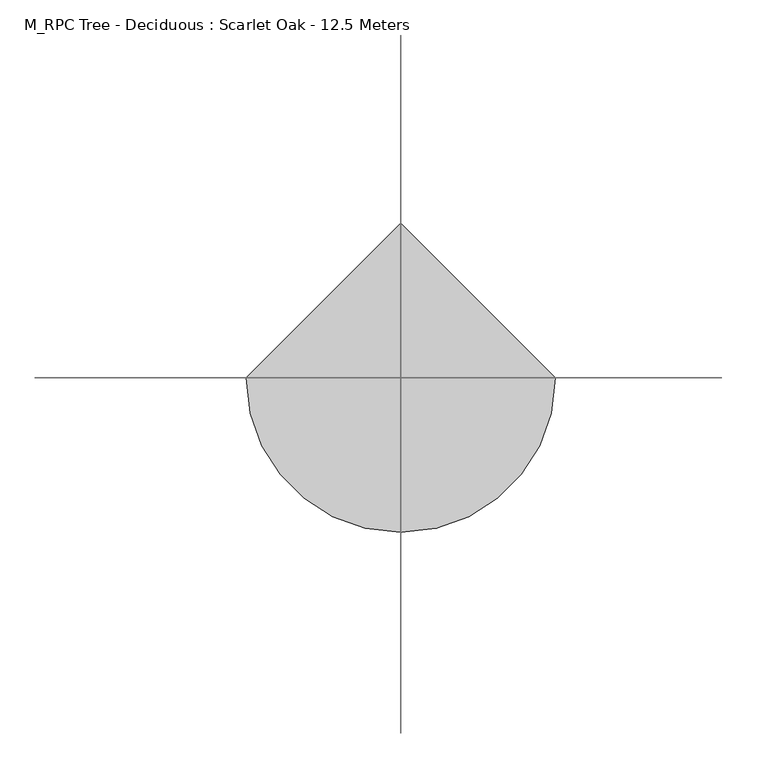
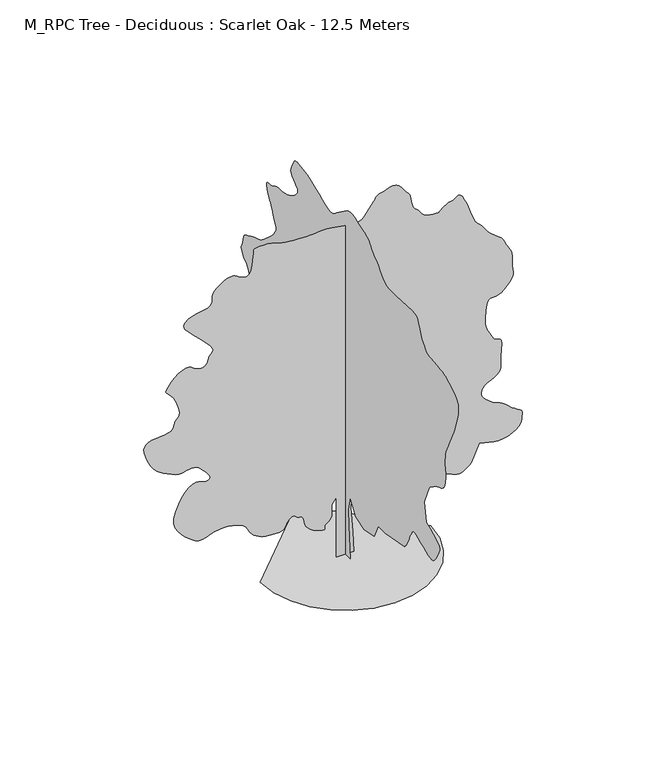
"""IFC4 building model written with IfcOpenShell, lengths in millimetres: geographic element geometry, M_RPC Tree - Deciduous : Scarlet Oak - 12.5 Meters."""

from ifc_helpers import new_model, si_unit, origin, place, context, project, spatial, triangles, source, transform, mapped, element, save


def m_rpc_tree_deciduous_scarlet_oak_12_5_meters_78a4568a(model_context):
    return source(origin(), model_context, "Body", "Tessellation", [
        triangles([(0.0172504, 306.0074844, 0.0), (0.0172504, -293.5650026, 0.0), (0.0172504, -196.8600042, 1141.1200275), (0.0172504, -177.5185068, 1682.6674953), (0.0172504, -293.5650026, 2185.5350567), (0.0172504, -603.0224945, 1682.6674953), (0.0172504, -1105.8875124, 1527.9400211), (0.0172504, -1686.1174301, 1663.3275421), (0.0172504, -1918.2099495, 2146.8525341), (0.0172504, -2324.3725124, 2146.8525341), (0.0172504, -3446.150116, 2359.6049549), (0.0172504, -3487.4249222, 2409.394939), (0.0172504, -3527.7000801, 2459.5225479), (0.0172504, -3565.9250725, 2510.3249702), (0.0172504, -3601.0999603, 2562.1500046), (0.0172504, -3632.2250954, 2615.3249565), (0.0172504, -3658.2749588, 2670.2000954), (0.0172504, -3678.2499023, 2727.0751122), (0.0172504, -3697.649881, 2785.6750237), (0.0172504, -3722.1251312, 2845.2748741), (0.0172504, -3750.8251236, 2905.7249634), (0.0172504, -3782.89991, 2966.8500114), (0.0172504, -3817.5251221, 3028.475029), (0.0172504, -3853.8249413, 3090.4500252), (0.0172504, -3890.9999977, 3152.5750122), (0.0172504, -3908.7000801, 3172.6499496), (0.0172504, -3933.1750397, 3188.8501236), (0.0172504, -3971.1750458, 3197.2499016), (0.0172504, -4029.4749756, 3193.9751015), (0.0172504, -4114.8499969, 3175.1500877), (0.0172504, -4234.0499886, 3136.8500999), (0.0172504, -4393.8501183, 3075.2250824), (0.0172504, -4562.5749939, 3002.6998581), (0.0172504, -4706.2499451, 2937.9750298), (0.0172504, -4828.2750549, 2886.4249786), (0.0172504, -4932.0251175, 2853.4999535), (0.0172504, -5020.8999252, 2844.5999153), (0.0172504, -5098.249855, 2865.125116), (0.0172504, -5167.5002792, 2920.4999336), (0.0172504, -5237.3750839, 3007.7251328), (0.0172504, -5309.5997452, 3113.9000473), (0.0172504, -5377.1002762, 3229.5499649), (0.0172504, -5432.7497864, 3345.1998825), (0.0172504, -5469.4498718, 3451.3750877), (0.0172504, -5480.1248016, 3538.6249947), (0.0172504, -5457.6250122, 3597.424894), (0.0172504, -5402.6498795, 3641.7000984), (0.0172504, -5323.3000717, 3691.0249947), (0.0172504, -5223.6747574, 3744.5999222), (0.0172504, -5107.774855, 3801.5499344), (0.0172504, -4979.7251129, 3861.0500816), (0.0172504, -4843.5499947, 3922.2251266), (0.0172504, -4703.3251236, 3984.2501198), (0.0172504, -4587.2749397, 4641.8500969), (0.0172504, -4877.3749649, 5318.7747665), (0.0172504, -4886.5249878, 5331.7001404), (0.0172504, -4900.7252838, 5347.4747589), (0.0172504, -4925.0999588, 5369.0251877), (0.0172504, -4964.6748688, 5399.20009), (0.0172504, -5024.5502838, 5440.8498734), (0.0172504, -5109.8247299, 5496.8999405), (0.0172504, -5225.5252258, 5570.225116), (0.0172504, -5351.0501221, 5636.6501312), (0.0172504, -5462.3497238, 5680.0498077), (0.0172504, -5559.4501923, 5715.3499786), (0.0172504, -5642.3497833, 5757.424736), (0.0172504, -5711.0252426, 5821.1499161), (0.0172504, -5765.4998245, 5921.4001923), (0.0172504, -5805.7502747, 6073.0752365), (0.0172504, -5829.0500153, 6222.0498642), (0.0172504, -5835.7501877, 6317.5748474), (0.0172504, -5830.6249191, 6379.6001312), (0.0172504, -5818.3750854, 6428.1000778), (0.0172504, -5803.7748138, 6483.0252136), (0.0172504, -5791.5499786, 6564.3249023), (0.0172504, -5786.4247101, 6692.0002487), (0.0172504, -5788.2251816, 6832.849791), (0.0172504, -5796.1252808, 6949.6752182), (0.0172504, -5813.8247818, 7056.3751007), (0.0172504, -5845.0502014, 7166.7747574), (0.0172504, -5893.550148, 7294.7750839), (0.0172504, -5963.0249771, 7454.2502335), (0.0172504, -6057.1750443, 7659.049942), (0.0172504, -6146.5748199, 7844.1752701), (0.0172504, -6206.1752518, 7955.8748474), (0.0172504, -6246.4751175, 8024.9502823), (0.0172504, -6277.9999374, 8082.1752777), (0.0172504, -6311.225235, 8158.3502792), (0.0172504, -6356.599791, 8284.2751511), (0.0172504, -6424.6752869, 8490.6997604), (0.0172504, -6498.0248795, 8729.4997192), (0.0172504, -6547.3747742, 8935.1499573), (0.0172504, -6565.2498459, 9112.3751862), (0.0172504, -6544.199968, 9265.925116), (0.0172504, -6476.8250107, 9400.5250397), (0.0172504, -6355.6498489, 9520.9002502), (0.0172504, -6173.2249374, 9631.8248749), (0.0172504, -5996.2252762, 9723.0001236), (0.0172504, -5879.7998245, 9785.7747803), (0.0172504, -5799.2250916, 9827.2001587), (0.0172504, -5729.8002594, 9854.4496582), (0.0172504, -5646.85009, 9874.575174), (0.0172504, -5525.6749283, 9894.699527), (0.0172504, -5341.575119, 9921.9501892), (0.0172504, -5144.0999634, 9943.4244598), (0.0172504, -4990.9500092, 9951.725116), (0.0172504, -4869.5998581, 9962.0244873), (0.0172504, -4767.5499825, 9989.5995483), (0.0172504, -4672.2499855, 10049.6505341), (0.0172504, -4571.2000488, 10157.425351), (0.0172504, -4451.8750648, 10328.0998169), (0.0172504, -4347.6750298, 10515.7499908), (0.0172504, -4286.1000092, 10666.5500885), (0.0172504, -4245.8501404, 10783.8254883), (0.0172504, -4205.5749825, 10871.0003998), (0.0172504, -4143.9999619, 10931.4501984), (0.0172504, -4039.7999268, 10968.5502594), (0.0172504, -3871.650016, 10985.7003754), (0.0172504, -2943.2749969, 10927.6748474), (0.0172504, -2772.1499771, 10930.6746643), (0.0172504, -2632.8250511, 10930.2746887), (0.0172504, -2514.4500092, 10937.3254211), (0.0172504, -2406.244986, 10962.6250397), (0.0172504, -2297.3600624, 11017.0496246), (0.0172504, -2176.9724979, 11111.3752625), (0.0172504, -2034.2550465, 11256.4745453), (0.0172504, -1896.7275398, 11403.0249023), (0.0172504, -1793.7050491, 11502.8746216), (0.0172504, -1717.0749882, 11568.5752625), (0.0172504, -1658.7125622, 11612.6248993), (0.0172504, -1610.5025688, 11647.5250946), (0.0172504, -1564.320068, 11685.7995026), (0.0172504, -1512.0500027, 11739.9996826), (0.0172504, -1461.8649845, 11804.0004272), (0.0172504, -1420.8125484, 11863.6002777), (0.0172504, -1379.087479, 11919.1503754), (0.0172504, -1326.8724976, 11970.9495392), (0.0172504, -1254.3574471, 12019.4000702), (0.0172504, -1151.7299904, 12064.7996246), (0.0172504, -1009.182514, 12107.4749268), (0.0172504, -849.1549999, 12154.4999634), (0.0172504, -699.9524792, 12206.6002716), (0.0172504, -560.5600064, 12254.6496643), (0.0172504, -429.9675053, 12289.4998627), (0.0172504, -307.1550161, 12302.0246796), (0.0172504, -191.1079934, 12283.0746735), (0.0172504, -80.8134993, 12223.5248199), (0.0172504, 499.4175176, 11798.0252106), (0.0172504, 562.2325061, 11740.8496307), (0.0172504, 623.0199657, 11688.7504852), (0.0172504, 689.217524, 11646.7751404), (0.0172504, 768.2749804, 11620.0500275), (0.0172504, 867.630035, 11613.6248383), (0.0172504, 994.7275097, 11632.5748444), (0.0172504, 1157.0125168, 11681.9753174), (0.0172504, 1341.1749676, 11755.3254913), (0.0172504, 1526.6899521, 11837.8251068), (0.0172504, 1710.1749733, 11922.0246185), (0.0172504, 1888.2475342, 12000.4500641), (0.0172504, 2057.5249924, 12065.6995697), (0.0172504, 2214.6200546, 12110.3003357), (0.0172504, 2356.1550201, 12126.8249084), (0.0172504, 2484.8875694, 12135.849939), (0.0172504, 2604.4750374, 12156.3754303), (0.0172504, 2712.9251038, 12178.575238), (0.0172504, 2808.1501053, 12192.6755402), (0.0172504, 2888.1748718, 12188.8501923), (0.0172504, 2950.9251114, 12157.2753754), (0.0172504, 2994.400074, 12088.1249451), (0.0172504, 3033.2500282, 12001.2500153), (0.0172504, 3077.8499222, 11921.1246735), (0.0172504, 3119.7499809, 11845.0502472), (0.0172504, 3150.5001389, 11770.3245758), (0.0172504, 3161.6000427, 11694.2745667), (0.0172504, 3144.6249161, 11614.1503876), (0.0172504, 3091.124984, 11527.2498779), (0.0172504, 3009.2500397, 11447.6245056), (0.0172504, 2921.5998665, 11385.2504059), (0.0172504, 2841.4251091, 11331.3502075), (0.0172504, 2781.8749649, 11277.1000305), (0.0172504, 2756.1750801, 11213.7248291), (0.0172504, 2777.4749428, 11132.4251404), (0.0172504, 2859.0249069, 11024.3747589), (0.0172504, 2971.6250107, 10916.7255157), (0.0172504, 3077.7999252, 10838.2000763), (0.0172504, 3178.2249001, 10782.3), (0.0172504, 3273.574894, 10742.6745117), (0.0172504, 3364.5248657, 10712.8251709), (0.0172504, 3451.7750633, 10686.4000397), (0.0172504, 3535.9498672, 10656.8995148), (0.0172504, 3620.024968, 10634.1753204), (0.0172504, 3706.4749237, 10626.6746155), (0.0172504, 3795.2750267, 10625.9502411), (0.0172504, 3886.4499847, 10623.5248077), (0.0172504, 3980.0000885, 10610.9499939), (0.0172504, 4075.9250473, 10579.7495728), (0.0172504, 4174.1998627, 10521.5252197), (0.0172504, 4275.775058, 10469.80047), (0.0172504, 4375.6250679, 10451.2504395), (0.0172504, 4465.0001358, 10446.8995422), (0.0172504, 4535.0999268, 10437.8245148), (0.0172504, 4577.0999794, 10405.075351), (0.0172504, 4582.2249573, 10329.6753021), (0.0172504, 4541.7001053, 10192.7255219), (0.0172504, 4481.7999825, 10048.5994354), (0.0172504, 4432.0751106, 9951.4995483), (0.0172504, 4388.424868, 9882.1247131), (0.0172504, 4346.8250816, 9821.224942), (0.0172504, 4303.1751297, 9749.5002502), (0.0172504, 4253.4249687, 9647.6750702), (0.0172504, 4193.550135, 9496.4499985), (0.0172504, 4130.2749275, 9347.6997757), (0.0172504, 4075.8250534, 9253.7502777), (0.0172504, 4034.1999779, 9195.999733), (0.0172504, 4009.500032, 9155.8498581), (0.0172504, 4005.7749687, 9114.7000443), (0.0172504, 4027.1001205, 9053.900267), (0.0172504, 4077.4999512, 8954.8999146), (0.0172504, 4167.2249977, 8823.6747849), (0.0172504, 4293.1248711, 8684.3501495), (0.0172504, 4439.3499573, 8545.349913), (0.0172504, 4589.9500671, 8415.1497208), (0.0172504, 4729.0750053, 8302.2002197), (0.0172504, 4840.7748734, 8214.9747299), (0.0172504, 4909.1747681, 8161.9000626), (0.0172504, 4969.9001312, 8128.6997635), (0.0172504, 5061.0747986, 8095.1500671), (0.0172504, 5170.5250946, 8060.9248306), (0.0172504, 5286.0750183, 8025.675238), (0.0172504, 5395.524733, 7989.0751465), (0.0172504, 5486.6999817, 7950.8001572), (0.0172504, 5547.4247635, 7910.4747116), (0.0172504, 5598.275148, 7876.9750122), (0.0172504, 5663.0252655, 7853.2997131), (0.0172504, 5734.1749924, 7830.2999542), (0.0172504, 5804.3247803, 7798.8251312), (0.0172504, 5866.0250839, 7749.7752182), (0.0172504, 5911.8001968, 7673.9751938), (0.0172504, 5934.2499893, 7562.325032), (0.0172504, 5952.6250305, 7450.1749008), (0.0172504, 5984.1998474, 7370.8500916), (0.0172504, 6018.4750809, 7312.1501862), (0.0172504, 6045.000206, 7261.899765), (0.0172504, 6053.2252853, 7207.9501511), (0.0172504, 6032.699794, 7138.074765), (0.0172504, 5972.9249542, 7040.1249298), (0.0172504, 5898.7248322, 6948.3747162), (0.0172504, 5838.7250061, 6893.5251572), (0.0172504, 5788.2001831, 6857.9500031), (0.0172504, 5742.4000717, 6824.0497467), (0.0172504, 5696.6249588, 6774.2498795), (0.0172504, 5646.1001358, 6690.9747299), (0.0172504, 5586.0997284, 6556.5997925), (0.0172504, 5520.7002319, 6421.9998688), (0.0172504, 5460.6998245, 6337.1498154), (0.0172504, 5411.5249191, 6283.075209), (0.0172504, 5378.6001846, 6240.824881), (0.0172504, 5367.3247101, 6191.4999847), (0.0172504, 5383.09991, 6116.0999359), (0.0172504, 5431.3748703, 5995.7247253), (0.0172504, 5495.5000259, 5864.0502045), (0.0172504, 5555.8748291, 5761.8250488), (0.0172504, 5613.5747955, 5680.5747757), (0.0172504, 5669.5498672, 5611.8249023), (0.0172504, 5724.8749786, 5547.1497803), (0.0172504, 5780.5250702, 5478.0749268), (0.0172504, 5837.5250793, 5396.1502762), (0.0172504, 5903.6751114, 5315.3499756), (0.0172504, 5980.6500641, 5249.4249298), (0.0172504, 6060.324852, 5189.6000931), (0.0172504, 6134.5999695, 5127.0498413), (0.0172504, 6195.3247513, 5053.0252899), (0.0172504, 6234.4002731, 4958.675235), (0.0172504, 6243.7002869, 4835.2499199), (0.0172504, 6251.5248093, 4738.3250221), (0.0172504, 6280.349794, 4706.349939), (0.0172504, 6313.2251129, 4704.825032), (0.0172504, 6333.2500534, 4699.2500816), (0.0172504, 6323.4750687, 4655.0998695), (0.0172504, 6267.0500244, 4537.8750481), (0.0172504, 6146.999794, 4313.0501083), (0.0172504, 6021.4748978, 4060.8750938), (0.0172504, 5945.6998718, 3875.3750793), (0.0172504, 5898.3248566, 3742.6250427), (0.0172504, 5858.0749878, 3648.7999557), (0.0172504, 5803.5998245, 3580.0000854), (0.0172504, 5713.6000854, 3522.3751144), (0.0172504, 5566.7747452, 3462.0500175), (0.0172504, 5397.250209, 3413.1000984), (0.0172504, 5248.0500137, 3392.5748978), (0.0172504, 5111.025238, 3390.9999939), (0.0172504, 4978.0752136, 3398.9000931), (0.0172504, 4841.0498566, 3406.7749031), (0.0172504, 4691.8499519, 3405.1999992), (0.0172504, 4522.3501236, 3384.6750893), (0.0172504, 4353.2999771, 3366.3000481), (0.0172504, 4207.2498802, 3370.2500977), (0.0172504, 4078.7998718, 3385.7000267), (0.0172504, 3962.5249924, 3401.8249146), (0.0172504, 3853.0249901, 3407.8001312), (0.0172504, 3744.8749054, 3392.799884), (0.0172504, 3632.6500694, 3346.0001244), (0.0172504, 3525.249939, 3296.2499634), (0.0172504, 3436.4251282, 3270.2000999), (0.0172504, 3368.249929, 3253.6249489), (0.0172504, 3322.75009, 3232.3250862), (0.0172504, 3301.9499062, 3192.0499283), (0.0172504, 3307.8751259, 3118.6500481), (0.0172504, 3342.5500443, 2997.8498634), (0.0172504, 3398.475119, 2869.5251381), (0.0172504, 3465.5750931, 2778.7248665), (0.0172504, 3542.0000793, 2719.2500084), (0.0172504, 3625.8499031, 2684.8000763), (0.0172504, 3715.274968, 2669.1248703), (0.0172504, 3808.4250961, 2665.9500641), (0.0172504, 3903.4251114, 2669.0498749), (0.0172504, 4270.9250633, 2262.8999565), (0.0172504, 4299.7250496, 2217.1674282), (0.0172504, 4327.3501076, 2170.5925095), (0.0172504, 4352.6250183, 2122.3249615), (0.0172504, 4374.3248566, 2071.5174522), (0.0172504, 4391.2999832, 2017.3300621), (0.0172504, 4402.3498901, 1958.9125523), (0.0172504, 4406.2999397, 1895.4200615), (0.0172504, 4405.6249809, 1829.2200325), (0.0172504, 4400.8999786, 1763.6974331), (0.0172504, 4388.0248924, 1699.5299835), (0.0172504, 4362.9999664, 1637.3900265), (0.0172504, 4321.7248695, 1577.9574623), (0.0172504, 4260.1501396, 1521.9075405), (0.0172504, 4174.1998627, 1469.9175453), (0.0172504, 4092.2249245, 1425.7650078), (0.0172504, 4034.5999535, 1391.4249527), (0.0172504, 3985.4250481, 1364.8675621), (0.0172504, 3928.800016, 1344.0599659), (0.0172504, 3848.8499542, 1326.9749622), (0.0172504, 3729.6499626, 1311.5799717), (0.0172504, 3555.3001396, 1295.8475018), (0.0172504, 3356.9750359, 1298.1024513), (0.0172504, 3174.2251442, 1332.8375404), (0.0172504, 3003.6500908, 1392.27243), (0.0172504, 2841.8750816, 1468.6199501), (0.0172504, 2685.525032, 1554.1049938), (0.0172504, 2531.1748604, 1640.9425713), (0.0172504, 2375.4949734, 1721.3500179), (0.0172504, 2236.6675461, 1794.4849434), (0.0172504, 2129.3050587, 1863.5599422), (0.0172504, 2044.6099377, 1926.8850014), (0.0172504, 1973.7875164, 1982.7650208), (0.0172504, 1908.0399307, 2029.5099873), (0.0172504, 1838.5700432, 2065.4300331), (0.0172504, 1756.5824604, 2088.8300583), (0.0172504, 1666.4174698, 2108.5650455), (0.0172504, 1577.6074837, 2133.0375343), (0.0172504, 1489.134977, 2159.8799366), (0.0172504, 1399.9875114, 2186.7200134), (0.0172504, 1309.1449459, 2211.1925022), (0.0172504, 1215.5975309, 2230.9274895), (0.0172504, 1118.3299942, 2243.5575325), (0.0172504, 1018.8625191, 2250.1549496), (0.0172504, 919.3925005, 2253.7074944), (0.0172504, 819.9250254, 2254.7225487), (0.0172504, 720.4574776, 2253.7074944), (0.0172504, 620.9900024, 2251.1700039), (0.0172504, 521.5199839, 2247.6174591), (0.0172504, 422.0525087, 2243.5575325), (0.0172504, 228.6430025, 1953.4425373), (0.0172504, 189.960498, 1508.6000679), (280.4450004, 0.0006008, 0.0092122), (-299.7850081, 0.0006008, 0.0092122), (-299.7850081, 0.0004756, 2127.5199932), (-454.5149895, 0.0004756, 1914.7700432), (-454.5149895, 0.0005007, 1682.6775238), (-450.9625174, 0.0005007, 1628.8274677), (-450.9625174, 0.0005007, 1575.1449886), (-458.0674979, 0.0005007, 1521.8024597), (-475.8274967, 0.0005257, 1468.967458), (-507.8000001, 0.0005257, 1416.8100311), (-557.5350094, 0.0005257, 1365.4949947), (-628.5824896, 0.0005257, 1315.1974834), (-684.2375227, 0.0005257, 1262.982502), (-699.6325132, 0.0005257, 1210.0900183), (-696.0799685, 0.0005257, 1162.9524885), (-694.8950117, 0.0005257, 1127.990015), (-717.3950191, 0.0005257, 1111.6375248), (-784.8900272, 0.0005257, 1120.3225325), (-918.6974848, 0.0005257, 1160.4700092), (-1071.3399845, 0.0005257, 1223.0050003), (-1185.4125275, 0.0005257, 1293.6575191), (-1267.3425556, 0.0005257, 1371.0799736), (-1323.5625252, 0.0005257, 1453.9125629), (-1360.49748, 0.0005007, 1540.8049335), (-1384.5749348, 0.0005007, 1630.4049877), (-1402.2250202, 0.0005007, 1721.3600464), (-1406.7350647, 0.0005007, 1746.1124599), (-1413.4449749, 0.0005007, 1770.19006), (-1424.5524364, 0.0005007, 1792.9174519), (-1442.2599312, 0.0005007, 1813.6099388), (-1468.7600578, 0.0005007, 1831.5975037), (-1506.2599491, 0.0005007, 1846.2025715), (-1556.9524944, 0.0005007, 1856.7475674), (-1607.6450397, 0.0005007, 1874.1124958), (-1647.5100483, 0.0005007, 1903.3224861), (-1682.3025467, 0.0004756, 1934.9000645), (-1717.7700039, 0.0004756, 1959.3725533), (-1759.6674465, 0.0004756, 1967.2675655), (-1813.7424889, 0.0004756, 1949.1099529), (-1885.7500122, 0.0005007, 1895.4274738), (-1949.0724552, 0.0005007, 1820.3199944), (-1984.9925011, 0.0005007, 1746.902528), (-2011.1000645, 0.0005007, 1679.2374722), (-2044.9875309, 0.0005007, 1621.382428), (-2104.2525181, 0.0005007, 1577.4025543), (-2206.4824699, 0.0005007, 1551.3499294), (-2369.2750042, 0.0005007, 1547.2900028), (-2549.149926, 0.0005007, 1559.2449417), (-2695.2000229, 0.0005007, 1578.979929), (-2813.8250496, 0.0005007, 1607.1750103), (-2911.4999016, 0.0005007, 1644.5025284), (-2994.6250603, 0.0005007, 1691.6425289), (-3069.600135, 0.0005007, 1749.2724415), (-3142.9250198, 0.0005007, 1818.0650448), (-3205.1000038, 0.0005007, 1893.5100037), (-3249.7248962, 0.0004756, 1969.2975288), (-3287.549913, 0.0004756, 2043.389954), (-3329.4499718, 0.0004756, 2113.7625481), (-3386.2249947, 0.0004756, 2178.3824409), (-3468.7249008, 0.0004756, 2235.2224308), (-3587.7499031, 0.0004756, 2282.2499382), (-3707.4248657, 0.0004756, 2317.9974655), (-3794.2500893, 0.0004506, 2343.2600224), (-3862.8249733, 0.0004506, 2359.3875263), (-3927.6750847, 0.0004506, 2367.7325111), (-4003.3251183, 0.0004506, 2369.6499813), (-4104.3750549, 0.0004506, 2366.4924706), (-4245.3498802, 0.0004506, 2359.6125126), (-4400.3500122, 0.0004506, 2335.1974331), (-4538.1250328, 0.0004756, 2289.8050003), (-4665.0501343, 0.0004756, 2240.3524956), (-4787.5749229, 0.0004756, 2203.7574909), (-4912.1501678, 0.0004756, 2196.9349422), (-5045.1501892, 0.0004756, 2236.7999508), (-5193.0498825, 0.0004506, 2340.2725594), (-5347.7997391, 0.0004506, 2478.6475433), (-5490.6747391, 0.0004506, 2615.9999153), (-5612.2498764, 0.0004256, 2758.4499413), (-5703.0251495, 0.0004256, 2912.049868), (-5753.5499725, 0.0004256, 3082.8999046), (-5754.3499237, 0.0004005, 3277.0999695), (-5695.9250015, 0.0004005, 3500.7249825), (-5598.1501556, 0.0003755, 3726.2748779), (-5489.1998291, 0.0003755, 3919.6999901), (-5372.1499969, 0.0003505, 4077.2499664), (-5250.0248932, 0.0003505, 4195.2000343), (-5125.8499146, 0.0003505, 4269.8501289), (-5002.6998734, 0.0003505, 4297.4998947), (-4883.6001663, 0.0003505, 4274.3751434), (-4771.2750458, 0.0003505, 4235.4749016), (-4671.8250114, 0.0003505, 4218.8750427), (-4593.3248611, 0.0003505, 4225.6499199), (-4543.9249695, 0.0003505, 4256.7750549), (-4531.7501312, 0.0003505, 4313.2750946), (-4564.9001427, 0.0003505, 4396.1749763), (-4651.5000893, 0.0003254, 4506.4749298), (-4752.500029, 0.0003254, 4617.0998634), (-4829.4749817, 0.0003254, 4702.3498924), (-4891.5502625, 0.0003254, 4765.2751213), (-4947.8747314, 0.0003254, 4808.9250732), (-5007.6001556, 0.0003254, 4836.325145), (-5079.8248169, 0.0003004, 4850.5498581), (-5173.7248993, 0.0003004, 4854.5999016), (-5270.0248352, 0.0003254, 4845.5248741), (-5349.7751999, 0.0003254, 4824.5999886), (-5422.3998367, 0.0003254, 4801.3249557), (-5497.39991, 0.0003254, 4785.1250725), (-5584.2248428, 0.0003254, 4785.5250481), (-5692.3752182, 0.0003254, 4811.9748871), (-5831.3248764, 0.0003004, 4873.9498833), (-5978.7751785, 0.0003004, 4948.0997177), (-6108.6248108, 0.0003004, 5012.4248611), (-6224.6252884, 0.0003004, 5078.4748993), (-6330.4502243, 0.0003004, 5157.6997147), (-6429.8749695, 0.0003004, 5261.5997681), (-6526.574881, 0.0002754, 5401.7249359), (-6624.2997299, 0.0002754, 5589.5750977), (-6705.1000305, 0.0002503, 5784.4998276), (-6749.7002151, 0.0002503, 5941.2001465), (-6759.8001801, 0.0002503, 6064.0752045), (-6737.074823, 0.0002253, 6157.4997345), (-6683.2252029, 0.0002253, 6225.9002106), (-6599.9500534, 0.0002253, 6273.6502029), (-6488.899855, 0.0002253, 6305.1750229), (-6357.7997177, 0.0002253, 6323.2750809), (-6219.2750336, 0.0002253, 6333.9500107), (-6082.4002487, 0.0002253, 6346.2748398), (-5956.3748016, 0.0002253, 6369.4501694), (-5850.3248795, 0.0002253, 6412.5998611), (-5773.3499268, 0.0002253, 6484.8251038), (-5734.5999664, 0.0002003, 6595.2997559), (-5705.9749695, 0.0002003, 6701.9752213), (-5661.749762, 0.0002003, 6771.4500504), (-5614.8497177, 0.0002003, 6825.7002274), (-5578.0752182, 0.0002003, 6886.6999924), (-5564.3248947, 0.0001752, 6976.4747452), (-5586.4252899, 0.0001752, 7116.9998886), (-5657.2500366, 0.0001752, 7330.2502441), (-5757.5497284, 0.0001502, 7540.3002136), (-5853.4752686, 0.0001502, 7672.5252823), (-5935.8498917, 0.0001502, 7750.975145), (-5995.5747345, 0.0001252, 7799.6250824), (-6023.4747757, 0.0001252, 7842.5247894), (-6010.4499893, 0.0001252, 7903.7251236), (-5947.3497711, 0.0001252, 8007.2002029), (-5845.6501648, 0.0001252, 8136.3248795), (-5728.0247864, 0.0001001, 8253.9502579), (-5602.2749039, 0.0001001, 8353.3000076), (-5476.1750427, 0.0001001, 8427.6251221), (-5357.5497253, 0.0001001, 8470.1248535), (-5254.1252243, 0.0001001, 8474.0751938), (-5173.7248993, 0.0001001, 8432.6998123), (-5094.9000595, 0.0001001, 8371.00009), (-4997.8001724, 0.0001001, 8322.8501221), (-4892.5751999, 0.0001001, 8294.6500992), (-4789.3751038, 0.0001001, 8292.850209), (-4698.375135, 0.0001001, 8323.8750595), (-4629.6999664, 0.0001001, 8394.1248413), (-4593.5001411, 0.0001001, 8510.0497421), (-4560.3251312, 0.0001001, 8620.5749725), (-4508.2251137, 7.51e-05, 8686.1000427), (-4458.4999512, 7.51e-05, 8730.3002518), (-4432.4500877, 7.51e-05, 8776.8747345), (-4451.4000938, 7.51e-05, 8849.4999527), (-4536.6501228, 7.51e-05, 8971.8750412), (-4709.5500343, 5.01e-05, 9167.6497192), (-4926.3498825, 5.01e-05, 9388.800174), (-5120.1502625, 2.5e-05, 9575.0998489), (-5277.4249649, 2.5e-05, 9731.9751572), (-5384.5998184, 2.5e-05, 9864.8246063), (-5428.2000641, 0.0, 9979.0746094), (-5394.6497864, 0.0, 10080.1254181), (-5270.4248108, 0.0, 10173.3755402), (-5104.7500397, 0.0, 10245.2246429), (-4956.3497955, 0.0, 10286.2744629), (-4825.8749107, 0.0, 10308.3754395), (-4714.0000534, -2.5e-05, 10323.3745239), (-4621.3998917, -2.5e-05, 10343.1000641), (-4548.7749641, -2.5e-05, 10379.4245911), (-4496.7749405, -2.5e-05, 10444.1497101), (-4470.8500694, -2.5e-05, 10520.7252686), (-4466.9000198, -2.5e-05, 10587.8246613), (-4471.4000359, -2.5e-05, 10650.1999237), (-4470.8500694, -2.5e-05, 10712.5751862), (-4451.6750771, -5.01e-05, 10779.6745789), (-4400.3500122, -5.01e-05, 10856.2501373), (-4303.3751175, -5.01e-05, 10947.0248291), (-4184.6750954, -5.01e-05, 11036.8495789), (-4076.1250351, -5.01e-05, 11106.7255463), (-3976.0500389, -7.51e-05, 11155.60047), (-3882.7249214, -7.51e-05, 11182.4999908), (-3794.4750755, -7.51e-05, 11186.3997528), (-3709.6000237, -7.51e-05, 11166.2498199), (-3626.4498665, -5.01e-05, 11121.1002502), (-3540.7248665, -5.01e-05, 11065.9001312), (-3452.3250298, -5.01e-05, 11022.8748505), (-3365.6000908, -5.01e-05, 11001.8249725), (-3284.9500717, -5.01e-05, 11012.5998962), (-3214.7999931, -5.01e-05, 11064.9746063), (-3159.5498772, -7.51e-05, 11168.7996643), (-3123.5750381, -7.51e-05, 11333.8500549), (-3102.0998955, -7.51e-05, 11511.0752838), (-3086.6999634, -0.0001001, 11648.0250641), (-3076.3750122, -0.0001001, 11749.4746857), (-3070.125103, -0.0001001, 11820.1250244), (-3066.9000092, -0.0001001, 11864.7246277), (-3065.7250809, -0.0001001, 11888.025531), (-3065.5500916, -0.0001001, 11894.7251221), (-3040.1248993, -0.0001001, 11898.674881), (-2971.0500458, -0.0001001, 11907.3755127), (-2869.1498703, -0.0001001, 11916.0505646), (-2745.2748734, -0.0001001, 11920.0003235), (-2610.2249771, -0.0001001, 11914.4750793), (-2474.8323692, -0.0001001, 11894.7251221), (-2349.935051, -0.0001001, 11856.0495758), (-2235.4100647, -0.0001001, 11813.0254578), (-2120.5474537, -0.0001001, 11781.8494537), (-2000.2725277, -0.0001001, 11760.1251984), (-1869.5075443, -0.0001001, 11745.5249268), (-1723.1824642, -0.0001001, 11735.675528), (-1556.2175102, -0.0001001, 11728.174823), (-1363.5400269, -0.0001001, 11720.6752808), (-1177.5749971, -0.0001001, 11719.599765), (-1024.4249702, -0.0001001, 11728.6747925), (-889.5449764, -0.0001001, 11741.475174), (-758.3875025, -0.0001001, 11751.5745575), (-616.4050352, -0.0001001, 11752.5244995), (-449.0450109, -0.0001001, 11737.9253906), (-241.763259, -0.0001001, 11701.3252991), (-32.2257492, -0.0001001, 11657.8000488), (136.7125037, -0.0001001, 11627.7995544), (271.8174929, -0.0001001, 11613.0248749), (379.8574825, -0.0001001, 11615.1503265), (467.5975121, -0.0001001, 11635.9246399), (541.8025031, -0.0001001, 11676.9744598), (609.2425, -0.0001001, 11739.9996826), (899.3575315, -0.0001252, 12107.4749268), (942.8899761, -0.0001252, 12164.1505371), (977.6249926, -0.0001252, 12217.4496094), (1008.9749685, -0.0001252, 12266.3245331), (1042.3575239, -0.0001252, 12309.7997864), (1083.1825029, -0.0001252, 12346.8498505), (1136.864982, -0.0001252, 12376.4503693), (1208.8150234, -0.0001252, 12397.6002411), (1297.0049892, -0.0001502, 12421.8499237), (1393.3149536, -0.0001502, 12454.2246918), (1494.0224693, -0.0001502, 12483.8752075), (1595.4100307, -0.0001502, 12499.9998047), (1693.7499584, -0.0001502, 12491.7747253), (1785.3225666, -0.0001502, 12448.349469), (1866.410059, -0.0001252, 12358.9246948), (1938.4149662, -0.0001252, 12256.9251068), (2004.3324543, -0.0001252, 12177.5752991), (2062.8075188, -0.0001252, 12112.7746033), (2112.4850098, -0.0001252, 12054.4246765), (2152.0125389, -0.0001252, 11994.3748535), (2180.0375725, -0.0001001, 11924.5000488), (2195.2049606, -0.0001001, 11836.6995941), (2205.7499565, -0.0001001, 11745.7004974), (2220.3550243, -0.0001001, 11669.9248901), (2238.3424438, -0.0001001, 11606.8252533), (2259.0349308, -7.51e-05, 11553.8749969), (2281.7599972, -7.51e-05, 11508.5254395), (2305.8374519, -7.51e-05, 11468.2755707), (2330.5924816, -7.51e-05, 11430.5499664), (2355.6274361, -7.51e-05, 11413.5754211), (2381.680061, -7.51e-05, 11394.2254395), (2409.760033, -7.51e-05, 11370.1501648), (2440.8876389, -7.51e-05, 11338.9753235), (2476.0724098, -7.51e-05, 11298.3254791), (2516.3248947, -7.51e-05, 11245.8251953), (2562.6749725, -7.51e-05, 11179.1246155), (2631.3751396, -5.01e-05, 11115.7249969), (2728.4750267, -5.01e-05, 11072.3253204), (2839.7749191, -5.01e-05, 11045.1246552), (2951.0751022, -5.01e-05, 11030.4755493), (3048.1749893, -5.01e-05, 11024.6003265), (3116.8748657, -5.01e-05, 11023.8247925), (3142.9250198, -5.01e-05, 11024.4003387), (3156.2750771, -5.01e-05, 11038.3250702), (3192.9998703, -5.01e-05, 11074.2252045), (3247.9750031, -5.01e-05, 11123.3501129), (3316.1499115, -7.51e-05, 11176.8503357), (3392.4249069, -7.51e-05, 11225.9752441), (3471.7750053, -7.51e-05, 11261.8997955), (3549.0749382, -7.51e-05, 11275.824527), (3618.3750687, -7.51e-05, 11292.800235), (3679.5501137, -7.51e-05, 11331.0746429), (3736.350135, -7.51e-05, 11371.7244873), (3792.4499084, -7.51e-05, 11395.8253418), (3851.6000771, -7.51e-05, 11384.3748779), (3917.5251228, -7.51e-05, 11318.4498322), (3993.9251106, -7.51e-05, 11179.1246155), (4065.8750793, -5.01e-05, 11015.4253052), (4119.5500008, -5.01e-05, 10883.1996552), (4160.3751251, -5.01e-05, 10773.6249481), (4193.7501228, -2.5e-05, 10677.9505554), (4225.0999535, -2.5e-05, 10587.3246918), (4259.8498672, -2.5e-05, 10493.0002167), (4303.3751175, -2.5e-05, 10386.1253448), (4348.1000038, 0.0, 10292.3496735), (4386.3749931, 0.0, 10232.749823), (4423.6500435, 0.0, 10191.7755798), (4465.325116, 0.0, 10153.8255707), (4516.799881, 0.0, 10103.3495819), (4583.4998795, 0.0, 10024.7997253), (4670.850071, 0.0, 9902.6002075), (4778.3749031, 2.5e-05, 9766.6003693), (4896.3999664, 2.5e-05, 9652.9247498), (5016.4501968, 2.5e-05, 9555.474884), (5130.075238, 5.01e-05, 9468.1999786), (5228.8000259, 5.01e-05, 9384.974826), (5304.2000748, 5.01e-05, 9299.6997986), (5347.7997391, 5.01e-05, 9206.3252655), (5382.0249756, 5.01e-05, 9114.7500412), (5429.774968, 7.51e-05, 9032.6498199), (5483.3001892, 7.51e-05, 8950.5501801), (5534.7749542, 7.51e-05, 8858.9749557), (5576.449736, 7.51e-05, 8748.4747238), (5600.5250107, 0.0001001, 8609.5250656), (5599.22509, 0.0001001, 8432.6998123), (5596.5752518, 0.0001001, 8262.7497208), (5611.174942, 0.0001252, 8138.7997284), (5627.1251312, 0.0001252, 8042.949765), (5628.5500443, 0.0001252, 7957.224765), (5599.5000732, 0.0001252, 7863.750238), (5524.1250229, 0.0001502, 7744.5249573), (5386.4752853, 0.0001502, 7581.6750137), (5223.124791, 0.0001502, 7444.9502197), (5081.4247192, 0.0001502, 7390.0750809), (4961.7000504, 0.0001502, 7378.1752258), (4864.3248894, 0.0001502, 7370.3501221), (4789.60009, 0.0001752, 7327.6498215), (4737.9000481, 0.0001752, 7211.2249512), (4709.5250359, 0.0001752, 6982.1249817), (4698.9251015, 0.0002003, 6728.5997589), (4700.5250038, 0.0002003, 6550.1751846), (4714.6000168, 0.0002253, 6424.9002731), (4741.5751144, 0.0002253, 6330.7252075), (4781.7249893, 0.0002253, 6245.7001648), (4835.3999107, 0.0002253, 6147.7997452), (4902.950148, 0.0002503, 6015.0752884), (4980.0250946, 0.0002503, 5899.6497757), (5057.7999985, 0.0002503, 5847.1500732), (5129.8002548, 0.0002503, 5825.7752151), (5189.6250916, 0.0002503, 5803.7248169), (5230.8499008, 0.0002503, 5749.200238), (5247.0250763, 0.0002754, 5630.3749329), (5231.7498459, 0.0002754, 5415.5002579), (5210.9999496, 0.0003004, 5178.6001831), (5207.8251434, 0.0003004, 5005.3247131), (5211.4499222, 0.0003004, 4881.0997375), (5210.9999496, 0.0003254, 4791.3999802), (5195.6497238, 0.0003254, 4721.6498772), (5154.5999039, 0.0003254, 4657.3000259), (5077.0249878, 0.0003254, 4583.8248596), (4983.2998947, 0.0003254, 4514.9249954), (4900.3997223, 0.0003254, 4468.3499313), (4827.3251129, 0.0003254, 4435.6498924), (4763.0499664, 0.0003505, 4408.3501053), (4706.5499268, 0.0003505, 4378.0249214), (4656.8250549, 0.0003505, 4336.1748596), (4612.8251244, 0.0003505, 4274.3751434), (4577.8749321, 0.0003505, 4202.8248596), (4558.1249748, 0.0003505, 4135.32491), (4557.0000435, 0.0003505, 4068.8498978), (4577.8749321, 0.0003755, 4000.3250107), (4624.1000175, 0.0003755, 3926.7501411), (4699.1000908, 0.0003755, 3845.024897), (4806.2499458, 0.0003755, 3752.1750412), (4919.8002823, 0.0003755, 3670.8000664), (5016.1252167, 0.0003755, 3617.5001221), (5101.6002319, 0.0004005, 3580.1250778), (5182.6999329, 0.0004005, 3546.4750969), (5265.8000931, 0.0004005, 3504.3500519), (5357.374736, 0.0004005, 3441.5751045), (5463.8252151, 0.0004005, 3346.0001244), (5576.8497116, 0.0004005, 3247.2750458), (5681.0497467, 0.0004005, 3176.6249977), (5772.3999847, 0.0004256, 3124.2249985), (5846.8250931, 0.0004256, 3080.3000633), (5900.2747375, 0.0004256, 3035.0249199), (5928.6997467, 0.0004256, 2978.5748772), (5928.0247879, 0.0004256, 2901.1499519), (5916.924884, 0.0004256, 2813.2500847), (5910.1997131, 0.0004506, 2730.7498878), (5898.0748718, 0.0004506, 2651.975045), (5870.7247971, 0.0004506, 2575.2500771), (5818.350087, 0.0004506, 2498.8349739), (5731.1251785, 0.0004506, 2421.0750401), (5599.22509, 0.0004506, 2340.2725594), (5441.7248199, 0.0004756, 2274.8624531), (5284.2501297, 0.0004756, 2240.917432), (5126.7498596, 0.0004756, 2233.1924675), (4969.2501709, 0.0004756, 2246.4425308), (4811.7748993, 0.0004756, 2275.4250641), (4654.2749199, 0.0004756, 2314.8975094), (4496.7749405, 0.0004506, 2359.6125126), (4225.9998985, 0.0005007, 1760.042569), (4159.6498787, 0.0005007, 1702.5250042), (4092.9248817, 0.0005007, 1648.0549278), (4025.5499245, 0.0005007, 1599.675032), (3957.1500298, 0.0005007, 1560.4274277), (3887.3999268, 0.0005007, 1533.3625099), (3815.9499275, 0.0005007, 1521.5225349), (3742.4750519, 0.0005007, 1527.9500496), (3682.5999275, 0.0005007, 1542.5525013), (3644.6999153, 0.0005007, 1554.7899811), (3617.6501129, 0.0005007, 1567.0274609), (3590.2500412, 0.0005007, 1581.6300579), (3551.3250916, 0.0005007, 1600.9724819), (3489.750071, 0.0005007, 1627.4175247), (3394.3500801, 0.0005007, 1663.3375706), (3270.0751076, 0.0005007, 1715.4949974), (3134.2999649, 0.0005007, 1784.5699963), (2994.450071, 0.0005007, 1863.794957), (2857.9999695, 0.0004756, 1946.40256), (2732.3500809, 0.0004756, 2025.6275208), (2624.9999474, 0.0004756, 2094.7025196), (2543.3499893, 0.0004756, 2146.8625626), (2474.2126396, 0.0004756, 2192.817461), (2400.0074306, 0.0004756, 2246.8925034), (2321.5700672, 0.0004756, 2307.7374813), (2239.7525322, 0.0004506, 2373.9924488), (2155.3950359, 0.0004506, 2444.3074883), (2069.3475266, 0.0004506, 2517.3251244), (1982.4550106, 0.0004506, 2591.6999451), (1963.1124413, 0.0004256, 2881.8249687), (1576.2924477, 0.0004256, 2920.4999336), (880.0150349, 0.0004256, 2862.474987), (415.8325032, 0.0004506, 2611.0499268), (222.4215072, 0.0004756, 2146.8625626), (183.7397477, 0.0005007, 1605.3124786), (241.7622416, 0.0005507, 715.6274672), (-2855.9000977, 0.0, 0.0224297), (-2780.4000549, -654.3849844, 0.0224297), (-2565.3750984, -1255.3350037, 0.0224297), (-2228.0500488, -1785.6274899, 0.0224297), (-1785.6274899, -2228.0500488, 0.0224297), (-1255.3350037, -2565.3750984, 0.0224297), (-654.3849844, -2780.4000549, 0.0224297), (0.0001248, -2855.9000977, 0.0224297), (654.3849844, -2780.4000549, 0.0224297), (1255.3350037, -2565.3750984, 0.0224297), (1785.6274899, -2228.0500488, 0.0224297), (2228.0500488, -1785.6274899, 0.0224297), (2565.3750984, -1255.3350037, 0.0224297), (2780.4000549, -654.3849844, 0.0224297), (2855.9000977, 0.0002503, 0.0224297), (-0.0003745, 2855.9000977, 0.0224297)], [[1, 2, 3], [368, 1, 3], [368, 3, 4], [367, 368, 4], [367, 4, 5], [277, 278, 279], [366, 367, 5], [276, 277, 279], [276, 279, 280], [7, 8, 9], [6, 7, 9], [5, 6, 9], [315, 316, 317], [201, 202, 203], [200, 201, 203], [200, 203, 204], [199, 200, 204], [199, 204, 205], [198, 199, 205], [198, 205, 206], [198, 206, 207], [197, 198, 207], [197, 207, 208], [275, 276, 280], [196, 197, 208], [195, 196, 208], [194, 195, 208], [194, 208, 209], [193, 194, 209], [192, 193, 209], [192, 209, 210], [191, 192, 210], [191, 210, 211], [191, 211, 212], [190, 191, 212], [190, 212, 213], [190, 213, 214], [189, 190, 214], [189, 214, 215], [188, 189, 215], [187, 188, 215], [186, 187, 215], [10, 11, 12], [314, 315, 317], [10, 12, 13], [10, 13, 14], [10, 14, 15], [10, 15, 16], [10, 16, 17], [10, 17, 18], [10, 18, 19], [10, 19, 20], [10, 20, 21], [10, 21, 22], [185, 186, 215], [185, 215, 216], [275, 280, 281], [10, 22, 23], [167, 168, 169], [166, 167, 169], [165, 166, 169], [165, 169, 170], [164, 165, 170], [164, 170, 171], [163, 164, 171], [163, 171, 172], [163, 172, 173], [163, 173, 174], [163, 174, 175], [163, 175, 176], [163, 176, 177], [163, 177, 178], [163, 178, 179], [163, 179, 180], [162, 163, 180], [161, 162, 180], [160, 161, 180], [159, 160, 180], [159, 180, 181], [158, 159, 181], [157, 158, 181], [156, 157, 181], [156, 181, 182], [155, 156, 182], [154, 155, 182], [154, 182, 183], [9, 10, 23], [9, 23, 24], [9, 24, 25], [45, 46, 47], [44, 45, 47], [44, 47, 48], [43, 44, 48], [43, 48, 49], [42, 43, 49], [42, 49, 50], [41, 42, 50], [40, 41, 50], [40, 50, 51], [39, 40, 51], [38, 39, 51], [37, 38, 51], [36, 37, 51], [35, 36, 51], [34, 35, 51], [33, 34, 51], [33, 51, 52], [32, 33, 52], [32, 52, 53], [31, 32, 53], [30, 31, 53], [29, 30, 53], [28, 29, 53], [28, 53, 54], [27, 28, 54], [26, 27, 54], [5, 9, 25], [5, 25, 26], [5, 26, 54], [5, 54, 55], [366, 5, 55], [365, 366, 55], [364, 365, 55], [363, 364, 55], [362, 363, 55], [361, 362, 55], [361, 55, 56], [153, 154, 183], [153, 183, 184], [313, 314, 317], [360, 361, 56], [184, 185, 216], [153, 184, 216], [152, 153, 216], [152, 216, 217], [243, 244, 245], [242, 243, 245], [242, 245, 246], [241, 242, 246], [241, 246, 247], [241, 247, 248], [240, 241, 248], [240, 248, 249], [240, 249, 250], [239, 240, 250], [239, 250, 251], [238, 239, 251], [237, 238, 251], [236, 237, 251], [235, 236, 251], [234, 235, 251], [233, 234, 251], [232, 233, 251], [231, 232, 251], [230, 231, 251], [229, 230, 251], [228, 229, 251], [228, 251, 252], [227, 228, 252], [226, 227, 252], [226, 252, 253], [226, 253, 254], [226, 254, 255], [226, 255, 256], [226, 256, 257], [225, 226, 257], [224, 225, 257], [223, 224, 257], [222, 223, 257], [222, 257, 258], [221, 222, 258], [220, 221, 258], [115, 116, 117], [114, 115, 117], [114, 117, 118], [113, 114, 118], [113, 118, 119], [112, 113, 119], [111, 112, 119], [110, 111, 119], [152, 217, 218], [313, 317, 318], [313, 318, 319], [313, 319, 320], [313, 320, 321], [313, 321, 322], [313, 322, 323], [313, 323, 324], [313, 324, 325], [313, 325, 326], [313, 326, 327], [313, 327, 328], [313, 328, 329], [313, 329, 330], [313, 330, 331], [313, 331, 332], [313, 332, 333], [313, 333, 334], [313, 334, 335], [313, 335, 336], [313, 336, 337], [313, 337, 338], [313, 338, 339], [313, 339, 340], [313, 340, 341], [312, 313, 341], [312, 341, 342], [312, 342, 343], [311, 312, 343], [311, 343, 344], [311, 344, 345], [310, 311, 345], [310, 345, 346], [310, 346, 347], [310, 347, 348], [309, 310, 348], [309, 348, 349], [309, 349, 350], [308, 309, 350], [308, 350, 351], [307, 308, 351], [307, 351, 352], [307, 352, 353], [307, 353, 354], [307, 354, 355], [307, 355, 356], [307, 356, 357], [307, 357, 358], [306, 307, 358], [306, 358, 359], [306, 359, 360], [306, 360, 56], [305, 306, 56], [305, 56, 57], [304, 305, 57], [303, 304, 57], [302, 303, 57], [301, 302, 57], [301, 57, 58], [301, 58, 59], [110, 119, 120], [109, 110, 120], [109, 120, 121], [301, 59, 60], [300, 301, 60], [300, 60, 61], [151, 152, 218], [109, 121, 122], [300, 61, 62], [145, 146, 147], [144, 145, 147], [143, 144, 147], [143, 147, 148], [142, 143, 148], [141, 142, 148], [140, 141, 148], [140, 148, 149], [139, 140, 149], [138, 139, 149], [137, 138, 149], [136, 137, 149], [135, 136, 149], [134, 135, 149], [133, 134, 149], [132, 133, 149], [132, 149, 150], [131, 132, 150], [130, 131, 150], [129, 130, 150], [128, 129, 150], [127, 128, 150], [126, 127, 150], [126, 150, 151], [126, 151, 218], [125, 126, 218], [124, 125, 218], [123, 124, 218], [123, 218, 219], [122, 123, 219], [109, 122, 219], [108, 109, 219], [108, 219, 220], [108, 220, 258], [108, 258, 259], [108, 259, 260], [108, 260, 261], [108, 261, 262], [107, 108, 262], [107, 262, 263], [107, 263, 264], [106, 107, 264], [106, 264, 265], [106, 265, 266], [106, 266, 267], [106, 267, 268], [105, 106, 268], [104, 105, 268], [103, 104, 268], [102, 103, 268], [101, 102, 268], [100, 101, 268], [99, 100, 268], [98, 99, 268], [97, 98, 268], [96, 97, 268], [95, 96, 268], [94, 95, 268], [93, 94, 268], [92, 93, 268], [91, 92, 268], [90, 91, 268], [89, 90, 268], [88, 89, 268], [87, 88, 268], [86, 87, 268], [85, 86, 268], [84, 85, 268], [83, 84, 268], [82, 83, 268], [81, 82, 268], [80, 81, 268], [79, 80, 268], [78, 79, 268], [77, 78, 268], [76, 77, 268], [75, 76, 268], [74, 75, 268], [73, 74, 268], [72, 73, 268], [71, 72, 268], [70, 71, 268], [69, 70, 268], [68, 69, 268], [67, 68, 268], [66, 67, 268], [65, 66, 268], [64, 65, 268], [63, 64, 268], [62, 63, 268], [300, 62, 268], [299, 300, 268], [298, 299, 268], [297, 298, 268], [296, 297, 268], [295, 296, 268], [294, 295, 268], [293, 294, 268], [292, 293, 268], [291, 292, 268], [290, 291, 268], [289, 290, 268], [288, 289, 268], [287, 288, 268], [286, 287, 268], [285, 286, 268], [284, 285, 268], [283, 284, 268], [282, 283, 268], [281, 282, 268], [275, 281, 268], [275, 268, 269], [274, 275, 269], [274, 269, 270], [274, 270, 271], [273, 274, 271], [272, 273, 271], [802, 369, 370], [802, 370, 371], [801, 802, 371], [800, 801, 371], [575, 576, 577], [799, 800, 371], [574, 575, 577], [383, 384, 385], [383, 385, 386], [382, 383, 386], [382, 386, 387], [381, 382, 387], [381, 387, 388], [794, 795, 796], [510, 511, 512], [574, 577, 578], [573, 574, 578], [572, 573, 578], [572, 578, 579], [571, 572, 579], [571, 579, 580], [570, 571, 580], [570, 580, 581], [570, 581, 582], [569, 570, 582], [569, 582, 583], [569, 583, 584], [568, 569, 584], [568, 584, 585], [509, 510, 512], [509, 512, 513], [508, 509, 513], [508, 513, 514], [508, 514, 515], [507, 508, 515], [507, 515, 516], [507, 516, 517], [507, 517, 518], [507, 518, 519], [507, 519, 520], [507, 520, 521], [507, 521, 522], [506, 507, 522], [506, 522, 523], [505, 506, 523], [505, 523, 524], [504, 505, 524], [568, 585, 586], [504, 524, 525], [538, 539, 540], [538, 540, 541], [537, 538, 541], [537, 541, 542], [536, 537, 542], [536, 542, 543], [536, 543, 544], [535, 536, 544], [535, 544, 545], [535, 545, 546], [534, 535, 546], [534, 546, 547], [533, 534, 547], [533, 547, 548], [381, 388, 389], [380, 381, 389], [380, 389, 390], [380, 390, 391], [380, 391, 392], [380, 392, 393], [379, 380, 393], [378, 379, 393], [377, 378, 393], [376, 377, 393], [375, 376, 393], [374, 375, 393], [373, 374, 393], [372, 373, 393], [372, 393, 394], [372, 394, 395], [372, 395, 396], [372, 396, 397], [372, 397, 398], [371, 372, 398], [371, 398, 399], [532, 533, 548], [371, 399, 400], [567, 568, 586], [567, 586, 587], [657, 658, 659], [657, 659, 660], [656, 657, 660], [656, 660, 661], [655, 656, 661], [655, 661, 662], [654, 655, 662], [654, 662, 663], [653, 654, 663], [652, 653, 663], [651, 652, 663], [650, 651, 663], [649, 650, 663], [649, 663, 664], [648, 649, 664], [647, 648, 664], [647, 664, 665], [647, 665, 666], [647, 666, 667], [647, 667, 668], [647, 668, 669], [793, 794, 796], [713, 714, 715], [713, 715, 716], [712, 713, 716], [712, 716, 717], [711, 712, 717], [646, 647, 669], [711, 717, 718], [567, 587, 588], [645, 646, 669], [645, 669, 670], [750, 751, 752], [749, 750, 752], [748, 749, 752], [748, 752, 753], [747, 748, 753], [747, 753, 754], [747, 754, 755], [747, 755, 756], [747, 756, 757], [747, 757, 758], [747, 758, 759], [747, 759, 760], [746, 747, 760], [746, 760, 761], [746, 761, 762], [745, 746, 762], [745, 762, 763], [745, 763, 764], [744, 745, 764], [743, 744, 764], [743, 764, 765], [742, 743, 765], [741, 742, 765], [741, 765, 766], [740, 741, 766], [739, 740, 766], [738, 739, 766], [737, 738, 766], [736, 737, 766], [735, 736, 766], [644, 645, 670], [567, 588, 589], [792, 793, 796], [371, 400, 401], [371, 401, 402], [371, 402, 403], [371, 403, 404], [371, 404, 405], [799, 371, 405], [799, 405, 406], [766, 767, 768], [488, 489, 490], [488, 490, 491], [487, 488, 491], [487, 491, 492], [486, 487, 492], [486, 492, 493], [485, 486, 493], [485, 493, 494], [485, 494, 495], [484, 485, 495], [483, 484, 495], [483, 495, 496], [482, 483, 496], [481, 482, 496], [480, 481, 496], [479, 480, 496], [479, 496, 497], [478, 479, 497], [477, 478, 497], [476, 477, 497], [475, 476, 497], [474, 475, 497], [473, 474, 497], [472, 473, 497], [471, 472, 497], [471, 497, 498], [470, 471, 498], [469, 470, 498], [469, 498, 499], [468, 469, 499], [468, 499, 500], [468, 500, 501], [468, 501, 502], [468, 502, 503], [467, 468, 503], [466, 467, 503], [466, 503, 504], [466, 504, 525], [465, 466, 525], [465, 525, 526], [464, 465, 526], [463, 464, 526], [735, 766, 768], [735, 768, 769], [735, 769, 770], [735, 770, 771], [735, 771, 772], [735, 772, 773], [735, 773, 774], [735, 774, 775], [735, 775, 776], [735, 776, 777], [735, 777, 778], [735, 778, 779], [735, 779, 780], [735, 780, 781], [735, 781, 782], [735, 782, 783], [735, 783, 784], [735, 784, 785], [735, 785, 786], [735, 786, 787], [735, 787, 788], [735, 788, 789], [735, 789, 790], [735, 790, 791], [735, 791, 792], [735, 792, 796], [734, 735, 796], [733, 734, 796], [732, 733, 796], [731, 732, 796], [731, 796, 797], [730, 731, 797], [567, 589, 590], [455, 456, 457], [454, 455, 457], [453, 454, 457], [453, 457, 458], [452, 453, 458], [451, 452, 458], [451, 458, 459], [450, 451, 459], [449, 450, 459], [448, 449, 459], [447, 448, 459], [446, 447, 459], [445, 446, 459], [444, 445, 459], [443, 444, 459], [442, 443, 459], [441, 442, 459], [440, 441, 459], [439, 440, 459], [438, 439, 459], [437, 438, 459], [437, 459, 460], [436, 437, 460], [435, 436, 460], [434, 435, 460], [434, 460, 461], [433, 434, 461], [432, 433, 461], [431, 432, 461], [430, 431, 461], [429, 430, 461], [428, 429, 461], [428, 461, 462], [427, 428, 462], [411, 412, 413], [411, 413, 414], [410, 411, 414], [410, 414, 415], [409, 410, 415], [409, 415, 416], [409, 416, 417], [408, 409, 417], [408, 417, 418], [408, 418, 419], [408, 419, 420], [408, 420, 421], [408, 421, 422], [408, 422, 423], [408, 423, 424], [408, 424, 425], [408, 425, 426], [407, 408, 426], [407, 426, 427], [407, 427, 462], [406, 407, 462], [799, 406, 462], [799, 462, 463], [799, 463, 526], [798, 799, 526], [798, 526, 527], [798, 527, 528], [798, 528, 529], [798, 529, 530], [798, 530, 531], [797, 798, 531], [730, 797, 531], [729, 730, 531], [728, 729, 531], [728, 531, 532], [728, 532, 548], [728, 548, 549], [728, 549, 550], [727, 728, 550], [726, 727, 550], [725, 726, 550], [724, 725, 550], [723, 724, 550], [722, 723, 550], [721, 722, 550], [720, 721, 550], [719, 720, 550], [718, 719, 550], [711, 718, 550], [710, 711, 550], [709, 710, 550], [708, 709, 550], [707, 708, 550], [706, 707, 550], [705, 706, 550], [704, 705, 550], [703, 704, 550], [702, 703, 550], [701, 702, 550], [701, 550, 551], [701, 551, 552], [701, 552, 553], [701, 553, 554], [701, 554, 555], [701, 555, 556], [701, 556, 557], [701, 557, 558], [701, 558, 559], [700, 701, 559], [699, 700, 559], [698, 699, 559], [697, 698, 559], [696, 697, 559], [617, 618, 619], [616, 617, 619], [615, 616, 619], [615, 619, 620], [614, 615, 620], [613, 614, 620], [613, 620, 621], [612, 613, 621], [612, 621, 622], [611, 612, 622], [610, 611, 622], [609, 610, 622], [608, 609, 622], [607, 608, 622], [606, 607, 622], [605, 606, 622], [604, 605, 622], [604, 622, 623], [604, 623, 624], [604, 624, 625], [604, 625, 626], [604, 626, 627], [604, 627, 628], [604, 628, 629], [604, 629, 630], [604, 630, 631], [604, 631, 632], [603, 604, 632], [603, 632, 633], [602, 603, 633], [602, 633, 634], [602, 634, 635], [602, 635, 636], [602, 636, 637], [602, 637, 638], [602, 638, 639], [602, 639, 640], [602, 640, 641], [601, 602, 641], [643, 644, 670], [643, 670, 671], [567, 590, 591], [566, 567, 591], [692, 693, 694], [692, 694, 695], [691, 692, 695], [691, 695, 696], [690, 691, 696], [680, 681, 682], [689, 690, 696], [679, 680, 682], [679, 682, 683], [678, 679, 683], [559, 560, 561], [559, 561, 562], [559, 562, 563], [566, 591, 592], [642, 643, 671], [642, 671, 672], [642, 672, 673], [642, 673, 674], [642, 674, 675], [642, 675, 676], [600, 601, 641], [688, 689, 696], [687, 688, 696], [686, 687, 696], [685, 686, 696], [684, 685, 696], [683, 684, 696], [678, 683, 696], [677, 678, 696], [676, 677, 696], [642, 676, 696], [641, 642, 696], [600, 641, 696], [599, 600, 696], [598, 599, 696], [597, 598, 696], [596, 597, 696], [595, 596, 696], [594, 595, 696], [593, 594, 696], [592, 593, 696], [566, 592, 696], [565, 566, 696], [564, 565, 696], [564, 696, 559], [564, 559, 563], [817, 818, 803], [816, 817, 803], [816, 803, 804], [815, 816, 804], [815, 804, 805], [815, 805, 806], [814, 815, 806], [813, 814, 806], [813, 806, 807], [813, 807, 808], [813, 808, 809], [813, 809, 810], [813, 810, 811], [813, 811, 812]], closed=False),
    ])


if __name__ == "__main__":
    model = new_model("IFC4")
    model_context = context("Model", 3, world=origin())
    ifc_project = project(units=[si_unit("LENGTHUNIT", "METRE", prefix="MILLI")], contexts=[model_context])
    site = spatial("IfcSite", under=ifc_project)
    building = spatial("IfcBuilding", under=site)
    placement = place(None, origin())
    m_rpc_tree_deciduous_scarlet_oak_12_5_meters_shape = m_rpc_tree_deciduous_scarlet_oak_12_5_meters_78a4568a(model_context)
    element("IfcGeographicElement", 1, ObjectType="M_RPC Tree - Deciduous : Scarlet Oak - 12.5 Meters", at=placement, inside=building, context=model_context, shape_type="MappedRepresentation", body=[
        mapped(m_rpc_tree_deciduous_scarlet_oak_12_5_meters_shape, transform((0.0, 0.0, 0.0), x_axis=(1.0, 0.0, 0.0), y_axis=(0.0, 1.0, 0.0), z_axis=(0.0, 0.0, 1.0))),
    ])
    save(model, "model.ifc")
